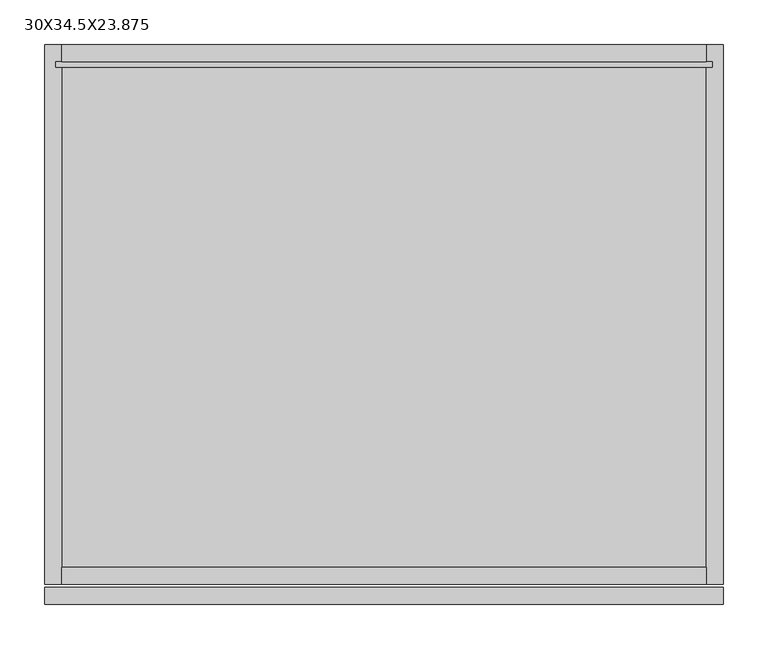
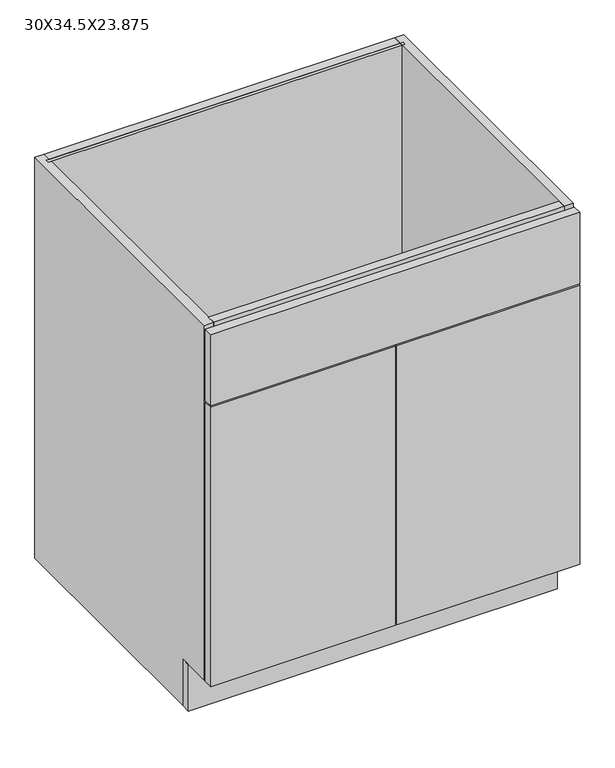
"""IFC4 building model written with IfcOpenShell, lengths in millimetres: furniture geometry, 30X34.5X23.875."""

import ifcopenshell
import ifcopenshell.guid

model = None  # the IFC model being written
_history = None  # IfcOwnerHistory: only IFC2X3 demands one
_inside = {}  # id of a spatial element -> (the spatial element, [elements in it])
_under = {}  # id of a project, library or spatial element -> (it, [spatial elements below it])
_declared = {}  # id of a project -> (the project, [libraries it declares])
_typed = {}  # id of a type object -> (the type object, [elements of that type])
_made_of = {}  # id of a material, layer set ... -> (it, [elements and type objects made of it])


def new_model(schema):
    """Start an empty IFC model of exactly this schema.

    Asked for "IFC4X3", IfcOpenShell would pick the latest addendum, in which some entities
    have other attributes; the version numbers below select the first issue.
    IFC2X3 requires an IfcOwnerHistory on every rooted entity: one is made here for all.
    """
    global model, _history
    if schema == "IFC4X3":
        model = ifcopenshell.file(schema_version=(4, 3, 0, 0))
    else:
        model = ifcopenshell.file(schema=schema)
    _inside.clear()
    _under.clear()
    _declared.clear()
    _typed.clear()
    _made_of.clear()
    _history = None
    if model.schema == "IFC2X3":
        org = make("IfcOrganization", Name="unknown")
        user = make(
            "IfcPersonAndOrganization",
            ThePerson=make("IfcPerson", FamilyName="unknown"),
            TheOrganization=org,
        )
        app = make(
            "IfcApplication",
            ApplicationDeveloper=org,
            Version="unknown",
            ApplicationFullName="unknown",
            ApplicationIdentifier="unknown",
        )
        _history = make(
            "IfcOwnerHistory",
            OwningUser=user,
            OwningApplication=app,
            ChangeAction="ADDED",
            CreationDate=0,
        )
    return model


def make(cls, **values):
    """One entity of the class cls with the attributes given. An attribute that is None is left unset."""
    return model.create_entity(
        cls, **{name: value for name, value in values.items() if value is not None}
    )


def rooted(cls, **values):
    """An entity with a GlobalId (a new one), such as an element, a storey or a relation."""
    return make(cls, GlobalId=ifcopenshell.guid.new(), OwnerHistory=_history, **values)


def si_unit(unit_type, name, prefix=None):
    """IfcSIUnit, for example si_unit("LENGTHUNIT", "METRE", prefix="MILLI")."""
    return make("IfcSIUnit", UnitType=unit_type, Prefix=prefix, Name=name)


def assignment(units):
    """IfcUnitAssignment: the units of a project."""
    return None if units is None else make("IfcUnitAssignment", Units=units)


def point(xyz):
    """IfcCartesianPoint."""
    return None if xyz is None else make("IfcCartesianPoint", Coordinates=xyz)


def direction(xyz):
    """IfcDirection."""
    return None if xyz is None else make("IfcDirection", DirectionRatios=xyz)


def frame(location, z_axis=None, x_axis=None):
    """IfcAxis2Placement3D, a coordinate frame: its origin and axes. An axis left out is left unset."""
    return make(
        "IfcAxis2Placement3D",
        Location=point(location),
        Axis=direction(z_axis),
        RefDirection=direction(x_axis),
    )


def origin():
    """The frame at (0, 0, 0) with its axes left unset."""
    return frame((0.0, 0.0, 0.0))


def origin_with_axes():
    """The frame at (0, 0, 0) with the z axis (0, 0, 1) and the x axis (1, 0, 0) written out."""
    return frame((0.0, 0.0, 0.0), z_axis=(0.0, 0.0, 1.0), x_axis=(1.0, 0.0, 0.0))


def place(relative_to, where):
    """IfcLocalPlacement: puts the frame where relative to a parent placement (None: the world)."""
    return make(
        "IfcLocalPlacement", PlacementRelTo=relative_to, RelativePlacement=where
    )


def context(
    kind, dimensions, precision=None, world=None, true_north=None, identifier=None
):
    """IfcGeometricRepresentationContext, for example the 3D "Model" context."""
    return make(
        "IfcGeometricRepresentationContext",
        ContextIdentifier=identifier,
        ContextType=kind,
        CoordinateSpaceDimension=dimensions,
        Precision=precision,
        WorldCoordinateSystem=world,
        TrueNorth=true_north,
    )


def project(units=None, contexts=None):
    """IfcProject with its units and contexts."""
    return rooted(
        "IfcProject",
        Name="project",
        RepresentationContexts=contexts,
        UnitsInContext=assignment(units),
    )


def spatial(cls, under=None, at=None, **own):
    """A site, building, storey or space (cls), placed at a placement, below another one or the project."""
    s = rooted(cls, ObjectPlacement=at, **own)
    if under is not None:
        _under.setdefault(under.id(), (under, []))[1].append(s)
    return s


def polyline(points):
    """IfcPolyline through the points."""
    return make("IfcPolyline", Points=[point(p) for p in points])


def outline(outer, holes=None, kind="AREA"):
    """IfcArbitraryClosedProfileDef: a profile drawn as a closed curve; with holes, ...WithVoids."""
    if holes is None:
        return make("IfcArbitraryClosedProfileDef", ProfileType=kind, OuterCurve=outer)
    return make(
        "IfcArbitraryProfileDefWithVoids",
        ProfileType=kind,
        OuterCurve=outer,
        InnerCurves=holes,
    )


def extrude(swept, where, along, depth):
    """IfcExtrudedAreaSolid: the profile swept, set in the frame where, extruded along a direction by depth."""
    return make(
        "IfcExtrudedAreaSolid",
        SweptArea=swept,
        Position=where,
        ExtrudedDirection=direction(along),
        Depth=depth,
    )


def shape(context_of_items, identifier, shape_type, items):
    """IfcShapeRepresentation: the items that make up one representation, for example the "Body"."""
    return make(
        "IfcShapeRepresentation",
        ContextOfItems=context_of_items,
        RepresentationIdentifier=identifier,
        RepresentationType=shape_type,
        Items=items,
    )


def source(mapping_origin, context_of_items, identifier, shape_type, items):
    """IfcRepresentationMap: a shape defined once, which mapped items show again and again."""
    return make(
        "IfcRepresentationMap",
        MappingOrigin=mapping_origin,
        MappedRepresentation=shape(context_of_items, identifier, shape_type, items),
    )


def transform(
    local_origin,
    x_axis=None,
    y_axis=None,
    z_axis=None,
    scale=None,
    scale2=None,
    scale3=None,
    uniform=True,
):
    """IfcCartesianTransformationOperator3D, or its non-uniform kind. x_axis, y_axis, z_axis: its Axis1, 2, 3."""
    if uniform:
        return make(
            "IfcCartesianTransformationOperator3D",
            Axis1=direction(x_axis),
            Axis2=direction(y_axis),
            LocalOrigin=point(local_origin),
            Scale=scale,
            Axis3=direction(z_axis),
        )
    return make(
        "IfcCartesianTransformationOperator3DnonUniform",
        Axis1=direction(x_axis),
        Axis2=direction(y_axis),
        LocalOrigin=point(local_origin),
        Scale=scale,
        Axis3=direction(z_axis),
        Scale2=scale2,
        Scale3=scale3,
    )


def mapped(mapping_source, mapping_target):
    """IfcMappedItem: shows the shape of a source again, moved by a transform."""
    return make(
        "IfcMappedItem", MappingSource=mapping_source, MappingTarget=mapping_target
    )


def made_of(thing, what):
    """Note that an element or type object is made of a material, layer set ...; save() writes the relation."""
    if what is not None:
        _made_of.setdefault(what.id(), (what, []))[1].append(thing)
    return thing


def element(
    cls,
    number,
    at=None,
    inside=None,
    cuts=None,
    type_object=None,
    material=None,
    context=None,
    identifier="Body",
    shape_type=None,
    held_by="IfcProductDefinitionShape",
    body=None,
    shapes=None,
    **own,
):
    """One element of the class cls, such as IfcWall. Its Tag is "e" and its number.

    at: its placement. inside: the storey or other place that contains it. cuts: it is an
    opening in that element (IfcRelVoidsElement). A single representation is given by context,
    identifier, shape_type and body (its items); several are given by shapes. held_by: the class
    of the entity that holds the representations. save() writes the other relations.
    """
    e = rooted(cls, Tag="e%d" % number, ObjectPlacement=at, **own)
    if body is not None:
        shapes = [shape(context, identifier, shape_type, body)]
    if shapes is not None:
        e.Representation = make(held_by, Representations=shapes)
    if inside is not None:
        _inside.setdefault(inside.id(), (inside, []))[1].append(e)
    if cuts is not None:
        rooted(
            "IfcRelVoidsElement", RelatingBuildingElement=cuts, RelatedOpeningElement=e
        )
    if type_object is not None:
        _typed.setdefault(type_object.id(), (type_object, []))[1].append(e)
    return made_of(e, material)


def aggregate(whole, parts):
    """IfcRelAggregates: a whole, such as a stair, and the parts it consists of."""
    return rooted("IfcRelAggregates", RelatingObject=whole, RelatedObjects=parts)


def save(model, path):
    """Write the relations noted so far, then the file.

    IfcRelAggregates (storeys below a building ...), IfcRelContainedInSpatialStructure (elements
    in a storey), IfcRelDefinesByType, IfcRelAssociatesMaterial and IfcRelDeclares: one each for
    every whole, place, type object, material and project.
    """
    for whole, parts in _under.values():
        aggregate(whole, parts)
    for where, things in _inside.values():
        rooted(
            "IfcRelContainedInSpatialStructure",
            RelatedElements=things,
            RelatingStructure=where,
        )
    for kind, things in _typed.values():
        rooted("IfcRelDefinesByType", RelatedObjects=things, RelatingType=kind)
    for what, things in _made_of.values():
        rooted("IfcRelAssociatesMaterial", RelatedObjects=things, RelatingMaterial=what)
    for by, libraries in _declared.values():
        rooted("IfcRelDeclares", RelatingContext=by, RelatedDefinitions=libraries)
    model.write(path)


def furniture_30x34_5x23_875_b9a53082(model_context):
    return source(origin(), model_context, "Body", "SweptSolid", [
        extrude(outline(polyline([(-362.2622951, -549.275), (-362.2622951, -530.225), (399.7377049, -530.225), (399.7377049, -549.275), (-362.2622951, -549.275)])), origin_with_axes(), (0.0, 0.0, 1.0), 101.6),
        extrude(outline(polyline([(380.6877049, -19.05), (-343.2122951, -19.05), (-343.2122951, 0.0), (380.6877049, 0.0), (380.6877049, -19.05)])), frame((0.0, 0.0, 120.65), z_axis=(0.0, 0.0, 1.0), x_axis=(1.0, 0.0, 0.0)), (0.0, 0.0, 1.0), 136.525),
        extrude(outline(polyline([(380.6877049, -19.05), (-343.2122951, -19.05), (-343.2122951, 0.0), (380.6877049, 0.0), (380.6877049, -19.05)])), frame((0.0, 0.0, 739.775), z_axis=(0.0, 0.0, 1.0), x_axis=(1.0, 0.0, 0.0)), (0.0, 0.0, 1.0), 136.525),
        extrude(outline(polyline([(387.0377049, -25.4), (-349.5622951, -25.4), (-349.5622951, -19.05), (387.0377049, -19.05), (387.0377049, -25.4)])), frame((0.0, 0.0, 114.3), z_axis=(0.0, 0.0, 1.0), x_axis=(1.0, 0.0, 0.0)), (0.0, 0.0, 1.0), 762.0),
        extrude(outline(polyline([(380.6877049, -587.375), (380.6877049, -606.425), (-343.2122951, -606.425), (-343.2122951, -587.375), (380.6877049, -587.375)])), frame((0.0, 0.0, 698.5), z_axis=(0.0, 0.0, 1.0), x_axis=(1.0, 0.0, 0.0)), (0.0, 0.0, 1.0), 177.8),
        extrude(outline(polyline([(380.6877049, 0.0), (380.6877049, -606.425), (-343.2122951, -606.425), (-343.2122951, 0.0), (380.6877049, 0.0)])), frame((0.0, 0.0, 101.6), z_axis=(0.0, 0.0, 1.0), x_axis=(1.0, 0.0, 0.0)), (0.0, 0.0, 1.0), 19.05),
        extrude(outline(polyline([(0.0, 876.3), (0.0, 0.0), (-530.225, 0.0), (-530.225, 101.6), (-606.425, 101.6), (-606.425, 876.3), (0.0, 876.3)])), frame((380.6877049, 0.0, 0.0), z_axis=(1.0, 0.0, 0.0), x_axis=(0.0, 1.0, 0.0)), (0.0, 0.0, 1.0), 19.05),
        extrude(outline(polyline([(-530.225, 0.0), (-530.225, 101.6), (-606.425, 101.6), (-606.425, 876.3), (0.0, 876.3), (0.0, 0.0), (-530.225, 0.0)])), frame((-362.2622951, 0.0, 0.0), z_axis=(1.0, 0.0, 0.0), x_axis=(0.0, 1.0, 0.0)), (0.0, 0.0, 1.0), 19.05),
        extrude(outline(polyline([(399.7377049, -628.65), (-362.2622951, -628.65), (-362.2622951, -609.6), (399.7377049, -609.6), (399.7377049, -628.65)])), frame((0.0, 0.0, 714.375), z_axis=(0.0, 0.0, 1.0), x_axis=(1.0, 0.0, 0.0)), (0.0, 0.0, 1.0), 155.575),
        extrude(outline(polyline([(399.7377049, -628.65), (21.9127049, -628.65), (21.9127049, -609.6), (399.7377049, -609.6), (399.7377049, -628.65)])), frame((0.0, 0.0, 101.6), z_axis=(0.0, 0.0, 1.0), x_axis=(1.0, 0.0, 0.0)), (0.0, 0.0, 1.0), 609.6),
        extrude(outline(polyline([(18.7377049, -628.65), (-362.2622951, -628.65), (-362.2622951, -609.6), (18.7377049, -609.6), (18.7377049, -628.65)])), frame((0.0, 0.0, 101.6), z_axis=(0.0, 0.0, 1.0), x_axis=(1.0, 0.0, 0.0)), (0.0, 0.0, 1.0), 609.6),
    ])


if __name__ == "__main__":
    model = new_model("IFC4")
    model_context = context("Model", 3, world=origin())
    ifc_project = project(units=[si_unit("LENGTHUNIT", "METRE", prefix="MILLI")], contexts=[model_context])
    site = spatial("IfcSite", under=ifc_project)
    building = spatial("IfcBuilding", under=site)
    placement = place(None, origin())
    furniture_30x34_5x23_875_shape = furniture_30x34_5x23_875_b9a53082(model_context)
    element("IfcFurniture", 1, ObjectType="30X34.5X23.875", at=placement, inside=building, context=model_context, shape_type="MappedRepresentation", body=[
        mapped(furniture_30x34_5x23_875_shape, transform((0.0, 0.0, 0.0), x_axis=(1.0, 0.0, 0.0), y_axis=(0.0, 1.0, 0.0), z_axis=(0.0, 0.0, 1.0))),
    ])
    save(model, "model.ifc")
